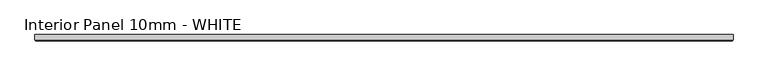
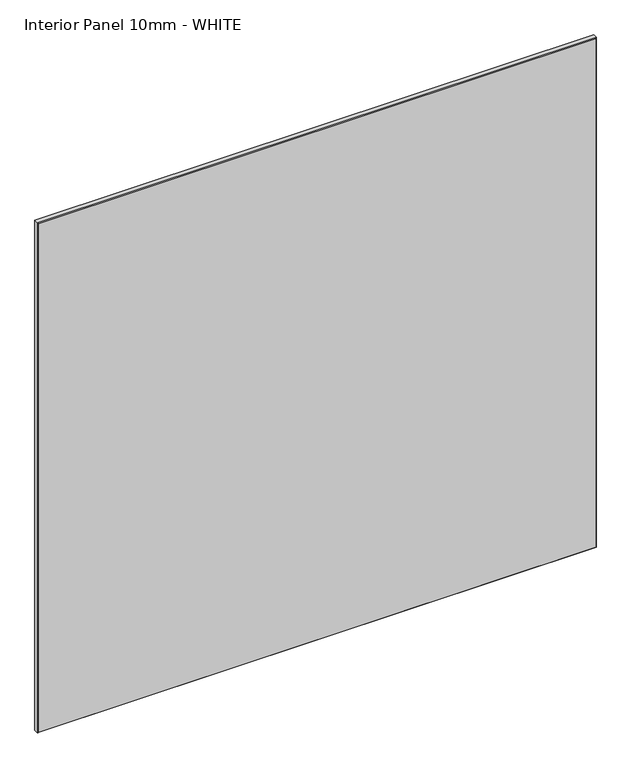
"""IFC4 building model written with IfcOpenShell, lengths in millimetres: proxy geometry, Interior Panel 10mm - WHITE."""

from ifc_helpers import new_model, si_unit, origin, place, context, project, spatial, faceted_brep, source, transform, mapped, element, save


def interior_panel_10mm_white_19670b61(model_context):
    return source(origin(), model_context, "Body", "Brep", [
        faceted_brep([(990.6, 3.175, 1025.525), (-73.025, 3.175, 1025.525), (-73.025, -4.7625, 1025.525), (990.6, -4.7625, 1025.525), (990.6, 3.175, 0.0), (990.6, -4.7625, 0.0), (-73.025, -4.7625, 0.0), (-73.025, 3.175, 0.0), (-71.4375, -6.35, 1023.9375), (-71.4375, -6.35, 1.5875), (989.0125, -6.35, 1.5875), (989.0125, -6.35, 1023.9375)], [[[0, 1, 2, 3]], [[4, 5, 6, 7]], [[1, 0, 4, 7]], [[2, 1, 7, 6]], [[8, 9, 10, 11]], [[0, 3, 5, 4]], [[2, 6, 9, 8]], [[5, 3, 11, 10]], [[3, 2, 8, 11]], [[6, 5, 10, 9]]]),
    ])


if __name__ == "__main__":
    model = new_model("IFC4")
    model_context = context("Model", 3, world=origin())
    ifc_project = project(units=[si_unit("LENGTHUNIT", "METRE", prefix="MILLI")], contexts=[model_context])
    site = spatial("IfcSite", under=ifc_project)
    building = spatial("IfcBuilding", under=site)
    placement = place(None, origin())
    interior_panel_10mm_white_shape = interior_panel_10mm_white_19670b61(model_context)
    element("IfcBuildingElementProxy", 1, Name="Interior Panel 10mm - WHITE", ObjectType="Interior Panel 10mm - WHITE", at=placement, inside=building, context=model_context, shape_type="MappedRepresentation", body=[
        mapped(interior_panel_10mm_white_shape, transform((0.0, 0.0, 0.0), x_axis=(1.0, 0.0, 0.0), y_axis=(0.0, 1.0, 0.0), z_axis=(0.0, 0.0, 1.0))),
    ])
    save(model, "model.ifc")
